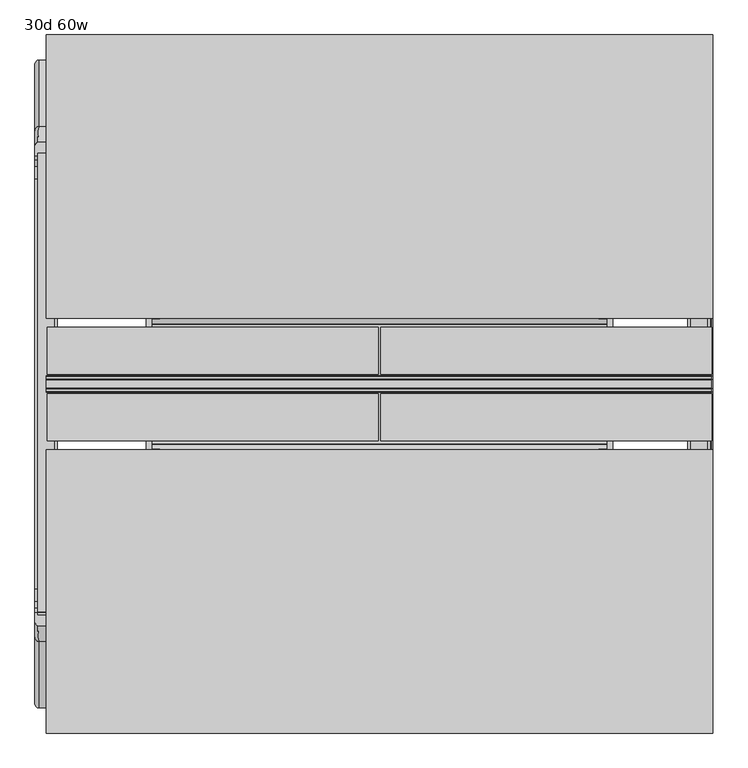
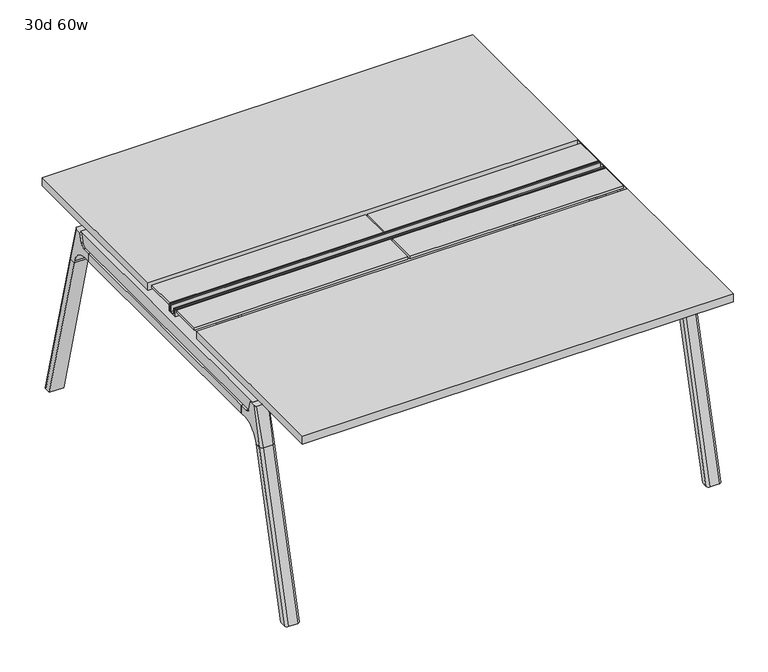
"""IFC4 building model written with IfcOpenShell, lengths in millimetres: furniture geometry, 30d 60w."""

from ifc_helpers import new_model, si_unit, point, frame, frame_2d, origin, place, context, project, spatial, polyline, circle_curve, ellipse_curve, trimmed, segment, composite_curve, outline, extrude, source, transform, mapped, element, save
from ifc_brep_helpers import plane_surface, cylinder_surface, revolved_surface, advanced_brep


def furniture_30d_60w_eef91e71(model_context):
    return source(origin(), model_context, "Body", "SolidModel", [
        extrude(outline(polyline([(-348.9784469, 559.4636683), (-364.040663, 627.7843353), (-35.4662901, 627.7843353), (-50.5285062, 559.4636683), (-46.7502281, 557.2647146), (-46.7502281, 549.3667827), (-62.6252238, 521.8704736), (-336.8817293, 521.8704736), (-352.756725, 549.3667827), (-352.756725, 557.2647146), (-348.9784469, 559.4636683)])), frame((736.6, 0.0, 0.0), z_axis=(1.0, 0.0, 0.0), x_axis=(0.0, 1.0, 0.0)), (0.0, 0.0, 1.0), 12.7),
        extrude(outline(polyline([(-348.9784469, 559.4636683), (-364.040663, 627.7843353), (-35.4662901, 627.7843353), (-50.5285062, 559.4636683), (-46.7502281, 557.2647146), (-46.7502281, 549.3667827), (-62.6252238, 521.8704736), (-336.8817293, 521.8704736), (-352.756725, 549.3667827), (-352.756725, 557.2647146), (-348.9784469, 559.4636683)])), frame((-317.5, 0.0, 0.0), z_axis=(1.0, 0.0, 0.0), x_axis=(0.0, 1.0, 0.0)), (0.0, 0.0, 1.0), 12.7),
        extrude(outline(polyline([(-18.0090763, 698.5), (3.7767266, 698.5), (3.7767266, 697.2935087), (-17.4495292, 697.2935087), (-19.0070753, 695.7359626), (-49.1186716, 559.1528512), (-50.5285062, 559.4636683), (-20.404074, 696.1050023), (-18.0090763, 698.5)])), frame((-317.5, 0.0, 0.0), z_axis=(1.0, 0.0, 0.0), x_axis=(0.0, 1.0, 0.0)), (0.0, 0.0, 1.0), 31.8008024),
        extrude(outline(polyline([(-381.4978768, 698.5), (-379.1028791, 696.1050023), (-348.9784469, 559.4636683), (-350.3882815, 559.1528512), (-380.4998778, 695.7359626), (-382.0574239, 697.2935087), (-403.2836797, 697.2935087), (-403.2836797, 698.5), (-381.4978768, 698.5)])), frame((-317.5, 0.0, 0.0), z_axis=(1.0, 0.0, 0.0), x_axis=(0.0, 1.0, 0.0)), (0.0, 0.0, 1.0), 31.8008024),
        extrude(outline(polyline([(-18.0090763, 698.5), (3.7767266, 698.5), (3.7767266, 697.2935087), (-17.4495292, 697.2935087), (-19.0070753, 695.7359626), (-49.1186716, 559.1528512), (-50.5285062, 559.4636683), (-20.404074, 696.1050023), (-18.0090763, 698.5)])), frame((717.4991976, 0.0, 0.0), z_axis=(1.0, 0.0, 0.0), x_axis=(0.0, 1.0, 0.0)), (0.0, 0.0, 1.0), 31.8008024),
        extrude(outline(polyline([(-381.4978768, 698.5), (-379.1028791, 696.1050023), (-348.9784469, 559.4636683), (-350.3882815, 559.1528512), (-380.4998778, 695.7359626), (-382.0574239, 697.2935087), (-403.2836797, 697.2935087), (-403.2836797, 698.5), (-381.4978768, 698.5)])), frame((717.4991976, 0.0, 0.0), z_axis=(1.0, 0.0, 0.0), x_axis=(0.0, 1.0, 0.0)), (0.0, 0.0, 1.0), 31.8008024),
        extrude(outline(polyline([(-353.550475, 557.5934966), (-351.518477, 559.6254947), (-350.957211, 559.0642287), (-352.756725, 557.2647146), (-352.756725, 549.3667827), (-352.5317745, 548.5272622), (-337.4390802, 522.3859395), (-336.0037101, 521.5572272), (-63.503243, 521.5572272), (-62.0678729, 522.3859395), (-46.9751786, 548.5272622), (-46.7502281, 549.3667827), (-46.7502281, 557.2647146), (-48.5497421, 559.0642287), (-47.9884761, 559.6254947), (-45.9564781, 557.5934966), (-45.9564781, 549.2622828), (-46.2355217, 548.2208856), (-61.4868074, 521.8048744), (-63.2905581, 520.7634772), (-336.216395, 520.7634772), (-338.0201457, 521.8048744), (-353.2714314, 548.2208856), (-353.550475, 549.2622828), (-353.550475, 557.5934966)])), frame((-317.4492037, 0.0, 0.0), z_axis=(1.0, 0.0, 0.0), x_axis=(0.0, 1.0, 0.0)), (0.0, 0.0, 1.0), 1066.7492037),
        extrude(outline(polyline([(-218.8034766, 715.9625), (-218.8034766, 741.3625), (-217.2159766, 741.3625), (-217.2159766, 720.725), (-210.8659766, 720.725), (-210.8659766, 741.3625), (-209.2784766, 741.3625), (-209.2784766, 717.55), (-190.2284766, 717.55), (-190.2284766, 741.3625), (-188.6409766, 741.3625), (-188.6409766, 720.725), (-182.2909766, 720.725), (-182.2909766, 741.3625), (-180.7034766, 741.3625), (-180.7034766, 715.9625), (-218.8034766, 715.9625)])), frame((-546.1, 0.0, 0.0), z_axis=(1.0, 0.0, 0.0), x_axis=(0.0, 1.0, 0.0)), (0.0, 0.0, 1.0), 1520.825),
        extrude(outline(composite_curve([segment(polyline([(328.0902734, 711.2), (319.0321726, 677.3947076)]), True, "CONTINUOUS"), segment(trimmed(circle_curve(frame_2d((303.6981001, 681.5034599)), 15.875), [point((319.0321726, 677.3947076))], [point((303.6981001, 665.6284599))], False, "CARTESIAN"), True, "CONTINUOUS"), segment(polyline([(303.6981001, 665.6284599), (-703.2050533, 665.6284599)]), True, "CONTINUOUS"), segment(trimmed(circle_curve(frame_2d((-703.2050533, 681.5034599)), 15.875), [point((-703.2050533, 665.6284599))], [point((-718.5391258, 677.3947076))], False, "CARTESIAN"), True, "CONTINUOUS"), segment(polyline([(-718.5391258, 677.3947076), (-727.5972266, 711.2), (328.0902734, 711.2)]), True, "CONTINUOUS")], self_intersect=False)), frame((927.1, 0.0, 0.0), z_axis=(1.0, 0.0, 0.0), x_axis=(0.0, 1.0, 0.0)), (0.0, 0.0, 1.0), 38.1),
        extrude(outline(polyline([(971.55, 267.7652734), (971.55, -667.2722266), (920.75, -667.2722266), (920.75, 267.7652734), (971.55, 267.7652734)])), frame((0.0, 0.0, 635.6476591), z_axis=(0.0, 0.0, 1.0), x_axis=(1.0, 0.0, 0.0)), (0.0, 0.0, 1.0), 29.9808008),
        extrude(outline(composite_curve([segment(polyline([(328.0902734, 711.2), (319.0321726, 677.3947076)]), True, "CONTINUOUS"), segment(trimmed(circle_curve(frame_2d((303.6981001, 681.5034599)), 15.875), [point((319.0321726, 677.3947076))], [point((303.6981001, 665.6284599))], False, "CARTESIAN"), True, "CONTINUOUS"), segment(polyline([(303.6981001, 665.6284599), (-703.2050533, 665.6284599)]), True, "CONTINUOUS"), segment(trimmed(circle_curve(frame_2d((-703.2050533, 681.5034599)), 15.875), [point((-703.2050533, 665.6284599))], [point((-718.5391258, 677.3947076))], False, "CARTESIAN"), True, "CONTINUOUS"), segment(polyline([(-718.5391258, 677.3947076), (-727.5972266, 711.2), (328.0902734, 711.2)]), True, "CONTINUOUS")], self_intersect=False)), frame((-565.15, 0.0, 0.0), z_axis=(1.0, 0.0, 0.0), x_axis=(0.0, 1.0, 0.0)), (0.0, 0.0, 1.0), 38.1),
        extrude(outline(polyline([(-520.7, 267.7652734), (-520.7, -667.2722266), (-571.5, -667.2722266), (-571.5, 267.7652734), (-520.7, 267.7652734)])), frame((0.0, 0.0, 635.6476591), z_axis=(0.0, 0.0, 1.0), x_axis=(1.0, 0.0, 0.0)), (0.0, 0.0, 1.0), 29.9808008),
        advanced_brep(
        [(920.75, -721.2935553, 711.2), (920.75, -712.2354545, 677.3947076), (920.75, -696.901382, 665.6284599), (920.75, -667.2722266, 665.6284599), (920.75, -667.2722266, 635.6476591), (920.75, -690.1434588, 635.6476591), (920.75, -754.5465633, 586.2294189), (920.75, -757.1047754, 576.6820411), (920.75, -778.2087453, 576.6820411), (920.75, -742.7601017, 711.2), (971.55, -757.1047754, 576.6820411), (971.55, -754.5465633, 586.2294189), (971.55, -690.1434588, 635.6476591), (971.55, -667.2722266, 635.6476591), (971.55, -667.2722266, 665.6284599), (971.55, -696.901382, 665.6284599), (971.55, -712.2354545, 677.3947076), (971.55, -721.2935553, 711.2), (971.55, -742.7601017, 711.2), (971.55, -778.2087453, 576.6820411), (927.0138162, -752.0149462, 711.2), (965.2861838, -752.0149462, 711.2), (962.025, -788.0589247, 576.6820411), (930.275, -788.0589247, 576.6820411)],
        [
            (0, 1),
            (1, 2, circle_curve(frame((920.75, -696.901382, 681.5034599), z_axis=(1.0, 0.0, 0.0), x_axis=(0.0, -1.0, 0.0)), 15.875)),
            (2, 3),
            (3, 4),
            (4, 5),
            (5, 6, circle_curve(frame((920.75, -690.1434588, 568.9726591), z_axis=(1.0, 0.0, 0.0), x_axis=(0.0, -1.0, 0.0)), 66.675)),
            (6, 7),
            (7, 8),
            (8, 9),
            (9, 0),
            (10, 11),
            (11, 12, circle_curve(frame((971.55, -690.1434588, 568.9726591), z_axis=(-1.0, 0.0, 0.0), x_axis=(0.0, -1.0, 0.0)), 66.675)),
            (12, 13),
            (13, 14),
            (14, 15),
            (15, 16, circle_curve(frame((971.55, -696.901382, 681.5034599), z_axis=(-1.0, 0.0, 0.0), x_axis=(0.0, -1.0, 0.0)), 15.875)),
            (16, 17),
            (17, 18),
            (18, 19),
            (19, 10),
            (17, 0),
            (9, 20, ellipse_curve(frame((930.275, -742.7601017, 711.2), z_axis=(0.0, 0.0, 1.0), x_axis=(0.0, -1.0, 0.0)), 9.8501793, 9.525)),
            (20, 21),
            (21, 18, ellipse_curve(frame((962.025, -742.7601017, 711.2), z_axis=(0.0, 0.0, 1.0), x_axis=(0.0, -1.0, 0.0)), 9.8501793, 9.525)),
            (16, 1),
            (15, 2),
            (14, 3),
            (13, 4),
            (12, 5),
            (11, 6),
            (10, 7),
            (19, 22, ellipse_curve(frame((962.025, -778.2087453, 576.6820411), z_axis=(0.0, 0.0, -1.0), x_axis=(0.0, -1.0, 0.0)), 9.8501793, 9.525)),
            (22, 23),
            (23, 8, ellipse_curve(frame((930.275, -778.2087453, 576.6820411), z_axis=(0.0, 0.0, -1.0), x_axis=(0.0, -1.0, 0.0)), 9.8501793, 9.525)),
            (20, 23, ellipse_curve(frame((930.275, -191.6892106, 2802.3641142), z_axis=(0.0, -0.9659258262890684, 0.2588190451025206), x_axis=(0.0, -0.2588190451025206, -0.9659258262890684)), 2304.1956354, 9.525)),
            (22, 21, ellipse_curve(frame((962.025, -191.6892106, 2802.3641142), z_axis=(0.0, -0.9659258262890684, 0.2588190451025206), x_axis=(0.0, -0.2588190451025206, -0.9659258262890684)), 2304.1956354, 9.525)),
        ],
        [
            plane_surface(frame((920.75, -752.0149462, 711.2), z_axis=(-1.0, 0.0, 0.0), x_axis=(0.0, 1.0, 0.0))),
            plane_surface(frame((971.55, -752.0149462, 711.2), z_axis=(1.0, 0.0, 0.0), x_axis=(0.0, -1.0, 0.0))),
            plane_surface(frame((920.75, -752.0149462, 711.2), z_axis=(0.0, 0.0, 1.0), x_axis=(1.0, 0.0, 0.0))),
            plane_surface(frame((920.75, -721.2935553, 711.2), z_axis=(0.0, 0.9659258262890683, 0.2588190451025207), x_axis=(1.0, 0.0, 0.0))),
            revolved_surface(polyline([(971.55, -712.776382, 681.5034599), (920.75, -712.776382, 681.5034599)]), (971.55, -696.901382, 681.5034599), (1.0, 0.0, 0.0)),
            plane_surface(frame((920.75, -696.901382, 665.6284599), z_axis=(0.0, 0.0, 1.0), x_axis=(1.0, 0.0, 0.0))),
            plane_surface(frame((920.75, -667.2722266, 665.6284599), z_axis=(0.0, 1.0, 0.0), x_axis=(1.0, 0.0, 0.0))),
            plane_surface(frame((920.75, -667.2722266, 635.6476591), z_axis=(0.0, 0.0, -1.0), x_axis=(1.0, 0.0, 0.0))),
            revolved_surface(polyline([(971.55, -756.8184587999999, 568.9726591), (920.75, -756.8184587999999, 568.9726591)]), (971.55, -690.1434588, 568.9726591), (1.0, 0.0, 0.0)),
            plane_surface(frame((920.75, -754.5465633, 586.2294189), z_axis=(0.0, 0.9659258262890693, -0.25881904510251696), x_axis=(1.0, 0.0, 0.0))),
            plane_surface(frame((920.75, -757.1047754, 576.6820411), z_axis=(0.0, 0.0, -1.0), x_axis=(1.0, 0.0, 0.0))),
            plane_surface(frame((920.75, -788.0589247, 576.6820411), z_axis=(0.0, -0.9659258262890684, 0.2588190451025206), x_axis=(1.0, 0.0, 0.0))),
            cylinder_surface(frame((930.275, -930.8176402, -2.4271979), z_axis=(0.0, -0.25482392474081483, -0.966987470125486), x_axis=(1.0, 0.0, 0.0)), 9.525),
            cylinder_surface(frame((962.025, -930.8176402, -2.4271979), z_axis=(0.0, -0.25482392474081483, -0.966987470125486), x_axis=(1.0, 0.0, 0.0)), 9.525),
        ],
        [
            (0, [[1, 2, 3, 4, 5, 6, 7, 8, 9, 10]]),
            (1, [[11, 12, 13, 14, 15, 16, 17, 18, 19, 20]]),
            (2, [[21, -10, 22, 23, 24, -18]]),
            (3, [[-1, -21, -17, 25]]),
            (4, [[-2, -25, -16, 26]]),
            (5, [[-3, -26, -15, 27]]),
            (6, [[-4, -27, -14, 28]]),
            (7, [[-5, -28, -13, 29]]),
            (8, [[-6, -29, -12, 30]]),
            (9, [[-7, -30, -11, 31]]),
            (10, [[-31, -20, 32, 33, 34, -8]]),
            (11, [[-23, 35, -33, 36]]),
            (12, [[-9, -34, -35, -22]]),
            (13, [[-19, -24, -36, -32]]),
        ],
    ),
        advanced_brep(
        [(920.75, -757.1047754, 576.6820411), (920.75, -909.0740466, 0.0), (920.75, -930.1780165, 0.0), (920.75, -778.2087453, 576.6820411), (971.55, -909.0740466, 0.0), (971.55, -757.1047754, 576.6820411), (971.55, -778.2087453, 576.6820411), (971.55, -930.1780165, 0.0), (930.275, -788.0589247, 576.6820411), (962.025, -788.0589247, 576.6820411), (962.025, -940.0281958, 0.0), (930.275, -940.0281958, 0.0)],
        [
            (0, 1),
            (1, 2),
            (2, 3),
            (3, 0),
            (4, 5),
            (5, 6),
            (6, 7),
            (7, 4),
            (5, 0),
            (3, 8, ellipse_curve(frame((930.275, -778.2087453, 576.6820411), z_axis=(0.0, 0.0, 1.0), x_axis=(0.0, -1.0, 0.0)), 9.8501793, 9.525)),
            (8, 9),
            (9, 6, ellipse_curve(frame((962.025, -778.2087453, 576.6820411), z_axis=(0.0, 0.0, 1.0), x_axis=(0.0, -1.0, 0.0)), 9.8501793, 9.525)),
            (4, 1),
            (7, 10, ellipse_curve(frame((962.025, -930.1780165, 0.0), z_axis=(0.0, 0.0, -1.0), x_axis=(0.0, -1.0, 0.0)), 9.8501793, 9.525)),
            (10, 11),
            (11, 2, ellipse_curve(frame((930.275, -930.1780165, 0.0), z_axis=(0.0, 0.0, -1.0), x_axis=(0.0, -1.0, 0.0)), 9.8501793, 9.525)),
            (8, 11),
            (10, 9),
        ],
        [
            plane_surface(frame((920.75, -788.0589247, 576.6820411), z_axis=(-1.0, 0.0, 0.0), x_axis=(0.0, 1.0, 0.0))),
            plane_surface(frame((971.55, -788.0589247, 576.6820411), z_axis=(1.0, 0.0, 0.0), x_axis=(0.0, -1.0, 0.0))),
            plane_surface(frame((920.75, -788.0589247, 576.6820411), z_axis=(0.0, 0.0, 1.0), x_axis=(1.0, 0.0, 0.0))),
            plane_surface(frame((920.75, -757.1047754, 576.6820411), z_axis=(0.0, 0.9669874701254844, -0.2548239247408208), x_axis=(1.0, 0.0, 0.0))),
            plane_surface(frame((920.75, -909.0740466, 0.0), z_axis=(0.0, 0.0, -1.0), x_axis=(1.0, 0.0, 0.0))),
            plane_surface(frame((920.75, -940.0281958, 0.0), z_axis=(0.0, -0.9669874701254855, 0.2548239247408166), x_axis=(1.0, 0.0, 0.0))),
            cylinder_surface(frame((930.275, -930.8176402, -2.4271979), z_axis=(0.0, -0.25482392474081483, -0.966987470125486), x_axis=(1.0, 0.0, 0.0)), 9.525),
            cylinder_surface(frame((962.025, -930.8176402, -2.4271979), z_axis=(0.0, -0.25482392474081483, -0.966987470125486), x_axis=(1.0, 0.0, 0.0)), 9.525),
        ],
        [
            (0, [[1, 2, 3, 4]]),
            (1, [[5, 6, 7, 8]]),
            (2, [[9, -4, 10, 11, 12, -6]]),
            (3, [[-1, -9, -5, 13]]),
            (4, [[-13, -8, 14, 15, 16, -2]]),
            (5, [[-11, 17, -15, 18]]),
            (6, [[-3, -16, -17, -10]]),
            (7, [[-7, -12, -18, -14]]),
        ],
    ),
        advanced_brep(
        [(971.55, 321.7866022, 711.2), (971.55, 312.7285014, 677.3947076), (971.55, 297.3944289, 665.6284599), (971.55, 267.7652734, 665.6284599), (971.55, 267.7652734, 635.6476591), (971.55, 290.6365057, 635.6476591), (971.55, 355.0396101, 586.2294189), (971.55, 357.5978223, 576.6820411), (971.55, 378.7017922, 576.6820411), (971.55, 343.2531486, 711.2), (920.75, 357.5978223, 576.6820411), (920.75, 355.0396101, 586.2294189), (920.75, 290.6365057, 635.6476591), (920.75, 267.7652734, 635.6476591), (920.75, 267.7652734, 665.6284599), (920.75, 297.3944289, 665.6284599), (920.75, 312.7285014, 677.3947076), (920.75, 321.7866022, 711.2), (920.75, 343.2531486, 711.2), (920.75, 378.7017922, 576.6820411), (965.2861838, 352.5079931, 711.2), (927.0138162, 352.5079931, 711.2), (930.275, 388.5519716, 576.6820411), (962.025, 388.5519716, 576.6820411)],
        [
            (0, 1),
            (1, 2, circle_curve(frame((971.55, 297.3944289, 681.5034599), z_axis=(-1.0, 0.0, 0.0), x_axis=(0.0, 1.0, 0.0)), 15.875)),
            (2, 3),
            (3, 4),
            (4, 5),
            (5, 6, circle_curve(frame((971.55, 290.6365057, 568.9726591), z_axis=(-1.0, 0.0, 0.0), x_axis=(0.0, 1.0, 0.0)), 66.675)),
            (6, 7),
            (7, 8),
            (8, 9),
            (9, 0),
            (10, 11),
            (11, 12, circle_curve(frame((920.75, 290.6365057, 568.9726591), z_axis=(1.0, 0.0, 0.0), x_axis=(0.0, 1.0, 0.0)), 66.675)),
            (12, 13),
            (13, 14),
            (14, 15),
            (15, 16, circle_curve(frame((920.75, 297.3944289, 681.5034599), z_axis=(1.0, 0.0, 0.0), x_axis=(0.0, 1.0, 0.0)), 15.875)),
            (16, 17),
            (17, 18),
            (18, 19),
            (19, 10),
            (17, 0),
            (9, 20, ellipse_curve(frame((962.025, 343.2531486, 711.2), z_axis=(0.0, 0.0, 1.0), x_axis=(0.0, 1.0, 0.0)), 9.8501793, 9.525)),
            (20, 21),
            (21, 18, ellipse_curve(frame((930.275, 343.2531486, 711.2), z_axis=(0.0, 0.0, 1.0), x_axis=(0.0, 1.0, 0.0)), 9.8501793, 9.525)),
            (16, 1),
            (15, 2),
            (14, 3),
            (13, 4),
            (12, 5),
            (11, 6),
            (10, 7),
            (19, 22, ellipse_curve(frame((930.275, 378.7017922, 576.6820411), z_axis=(0.0, 0.0, -1.0), x_axis=(0.0, 1.0, 0.0)), 9.8501793, 9.525)),
            (22, 23),
            (23, 8, ellipse_curve(frame((962.025, 378.7017922, 576.6820411), z_axis=(0.0, 0.0, -1.0), x_axis=(0.0, 1.0, 0.0)), 9.8501793, 9.525)),
            (20, 23, ellipse_curve(frame((962.025, -207.8177425, 2802.3641142), z_axis=(0.0, 0.9659258262890684, 0.2588190451025206), x_axis=(0.0, 0.2588190451025206, -0.9659258262890684)), 2304.1956354, 9.525)),
            (22, 21, ellipse_curve(frame((930.275, -207.8177425, 2802.3641142), z_axis=(0.0, 0.9659258262890684, 0.2588190451025206), x_axis=(0.0, 0.2588190451025206, -0.9659258262890684)), 2304.1956354, 9.525)),
        ],
        [
            plane_surface(frame((971.55, 352.5079931, 711.2), z_axis=(1.0, 0.0, 0.0), x_axis=(0.0, -1.0, 0.0))),
            plane_surface(frame((920.75, 352.5079931, 711.2), z_axis=(-1.0, 0.0, 0.0), x_axis=(0.0, 1.0, 0.0))),
            plane_surface(frame((971.55, 352.5079931, 711.2), z_axis=(0.0, 0.0, 1.0), x_axis=(-1.0, 0.0, 0.0))),
            plane_surface(frame((971.55, 321.7866022, 711.2), z_axis=(0.0, -0.9659258262890683, 0.2588190451025207), x_axis=(-1.0, 0.0, 0.0))),
            revolved_surface(polyline([(920.75, 313.2694289, 681.5034599), (971.55, 313.2694289, 681.5034599)]), (920.75, 297.3944289, 681.5034599), (-1.0, 0.0, 0.0)),
            plane_surface(frame((971.55, 297.3944289, 665.6284599), z_axis=(0.0, 0.0, 1.0), x_axis=(-1.0, 0.0, 0.0))),
            plane_surface(frame((971.55, 267.7652734, 665.6284599), z_axis=(0.0, -1.0, 0.0), x_axis=(-1.0, 0.0, 0.0))),
            plane_surface(frame((971.55, 267.7652734, 635.6476591), z_axis=(0.0, 0.0, -1.0), x_axis=(-1.0, 0.0, 0.0))),
            revolved_surface(polyline([(920.75, 357.3115057, 568.9726591), (971.55, 357.3115057, 568.9726591)]), (920.75, 290.6365057, 568.9726591), (-1.0, 0.0, 0.0)),
            plane_surface(frame((971.55, 355.0396101, 586.2294189), z_axis=(0.0, -0.9659258262890693, -0.25881904510251696), x_axis=(-1.0, 0.0, 0.0))),
            plane_surface(frame((971.55, 357.5978223, 576.6820411), z_axis=(0.0, 0.0, -1.0), x_axis=(-1.0, 0.0, 0.0))),
            plane_surface(frame((971.55, 388.5519716, 576.6820411), z_axis=(0.0, 0.9659258262890684, 0.2588190451025206), x_axis=(-1.0, 0.0, 0.0))),
            cylinder_surface(frame((962.025, 531.3106871, -2.4271979), z_axis=(0.0, 0.25482392474081483, -0.966987470125486), x_axis=(-1.0, 0.0, 0.0)), 9.525),
            cylinder_surface(frame((930.275, 531.3106871, -2.4271979), z_axis=(0.0, 0.25482392474081483, -0.966987470125486), x_axis=(-1.0, 0.0, 0.0)), 9.525),
        ],
        [
            (0, [[1, 2, 3, 4, 5, 6, 7, 8, 9, 10]]),
            (1, [[11, 12, 13, 14, 15, 16, 17, 18, 19, 20]]),
            (2, [[21, -10, 22, 23, 24, -18]]),
            (3, [[-1, -21, -17, 25]]),
            (4, [[-2, -25, -16, 26]]),
            (5, [[-3, -26, -15, 27]]),
            (6, [[-4, -27, -14, 28]]),
            (7, [[-5, -28, -13, 29]]),
            (8, [[-6, -29, -12, 30]]),
            (9, [[-7, -30, -11, 31]]),
            (10, [[-31, -20, 32, 33, 34, -8]]),
            (11, [[-23, 35, -33, 36]]),
            (12, [[-9, -34, -35, -22]]),
            (13, [[-19, -24, -36, -32]]),
        ],
    ),
        advanced_brep(
        [(971.55, 357.5978223, 576.6820411), (971.55, 509.5670935, 0.0), (971.55, 530.6710634, 0.0), (971.55, 378.7017922, 576.6820411), (920.75, 509.5670935, 0.0), (920.75, 357.5978223, 576.6820411), (920.75, 378.7017922, 576.6820411), (920.75, 530.6710634, 0.0), (962.025, 388.5519716, 576.6820411), (930.275, 388.5519716, 576.6820411), (930.275, 540.5212427, 0.0), (962.025, 540.5212427, 0.0)],
        [
            (0, 1),
            (1, 2),
            (2, 3),
            (3, 0),
            (4, 5),
            (5, 6),
            (6, 7),
            (7, 4),
            (5, 0),
            (3, 8, ellipse_curve(frame((962.025, 378.7017922, 576.6820411), z_axis=(0.0, 0.0, 1.0), x_axis=(0.0, 1.0, 0.0)), 9.8501793, 9.525)),
            (8, 9),
            (9, 6, ellipse_curve(frame((930.275, 378.7017922, 576.6820411), z_axis=(0.0, 0.0, 1.0), x_axis=(0.0, 1.0, 0.0)), 9.8501793, 9.525)),
            (4, 1),
            (7, 10, ellipse_curve(frame((930.275, 530.6710634, 0.0), z_axis=(0.0, 0.0, -1.0), x_axis=(0.0, 1.0, 0.0)), 9.8501793, 9.525)),
            (10, 11),
            (11, 2, ellipse_curve(frame((962.025, 530.6710634, 0.0), z_axis=(0.0, 0.0, -1.0), x_axis=(0.0, 1.0, 0.0)), 9.8501793, 9.525)),
            (8, 11),
            (10, 9),
        ],
        [
            plane_surface(frame((971.55, 388.5519716, 576.6820411), z_axis=(1.0, 0.0, 0.0), x_axis=(0.0, -1.0, 0.0))),
            plane_surface(frame((920.75, 388.5519716, 576.6820411), z_axis=(-1.0, 0.0, 0.0), x_axis=(0.0, 1.0, 0.0))),
            plane_surface(frame((971.55, 388.5519716, 576.6820411), z_axis=(0.0, 0.0, 1.0), x_axis=(-1.0, 0.0, 0.0))),
            plane_surface(frame((971.55, 357.5978223, 576.6820411), z_axis=(0.0, -0.9669874701254844, -0.2548239247408208), x_axis=(-1.0, 0.0, 0.0))),
            plane_surface(frame((971.55, 509.5670935, 0.0), z_axis=(0.0, 0.0, -1.0), x_axis=(-1.0, 0.0, 0.0))),
            plane_surface(frame((971.55, 540.5212427, 0.0), z_axis=(0.0, 0.9669874701254855, 0.2548239247408166), x_axis=(-1.0, 0.0, 0.0))),
            cylinder_surface(frame((962.025, 531.3106871, -2.4271979), z_axis=(0.0, 0.25482392474081483, -0.966987470125486), x_axis=(-1.0, 0.0, 0.0)), 9.525),
            cylinder_surface(frame((930.275, 531.3106871, -2.4271979), z_axis=(0.0, 0.25482392474081483, -0.966987470125486), x_axis=(-1.0, 0.0, 0.0)), 9.525),
        ],
        [
            (0, [[1, 2, 3, 4]]),
            (1, [[5, 6, 7, 8]]),
            (2, [[9, -4, 10, 11, 12, -6]]),
            (3, [[-1, -9, -5, 13]]),
            (4, [[-13, -8, 14, 15, 16, -2]]),
            (5, [[-11, 17, -15, 18]]),
            (6, [[-3, -16, -17, -10]]),
            (7, [[-7, -12, -18, -14]]),
        ],
    ),
        advanced_brep(
        [(-520.7, 321.7866022, 711.2), (-520.7, 312.7285014, 677.3947076), (-520.7, 297.3944289, 665.6284599), (-520.7, 267.7652734, 665.6284599), (-520.7, 267.7652734, 635.6476591), (-520.7, 290.6365057, 635.6476591), (-520.7, 355.0396101, 586.2294189), (-520.7, 357.5978223, 576.6820411), (-520.7, 378.7017922, 576.6820411), (-520.7, 343.2531486, 711.2), (-571.5, 357.5978223, 576.6820411), (-571.5, 355.0396101, 586.2294189), (-571.5, 290.6365057, 635.6476591), (-571.5, 267.7652734, 635.6476591), (-571.5, 267.7652734, 665.6284599), (-571.5, 297.3944289, 665.6284599), (-571.5, 312.7285014, 677.3947076), (-571.5, 321.7866022, 711.2), (-571.5, 343.2531486, 711.2), (-571.5, 378.7017922, 576.6820411), (-526.9638162, 352.5079931, 711.2), (-565.2361838, 352.5079931, 711.2), (-561.975, 388.5519716, 576.6820411), (-530.225, 388.5519716, 576.6820411)],
        [
            (0, 1),
            (1, 2, circle_curve(frame((-520.7, 297.3944289, 681.5034599), z_axis=(-1.0, 0.0, 0.0), x_axis=(0.0, 1.0, 0.0)), 15.875)),
            (2, 3),
            (3, 4),
            (4, 5),
            (5, 6, circle_curve(frame((-520.7, 290.6365057, 568.9726591), z_axis=(-1.0, 0.0, 0.0), x_axis=(0.0, 1.0, 0.0)), 66.675)),
            (6, 7),
            (7, 8),
            (8, 9),
            (9, 0),
            (10, 11),
            (11, 12, circle_curve(frame((-571.5, 290.6365057, 568.9726591), z_axis=(1.0, 0.0, 0.0), x_axis=(0.0, 1.0, 0.0)), 66.675)),
            (12, 13),
            (13, 14),
            (14, 15),
            (15, 16, circle_curve(frame((-571.5, 297.3944289, 681.5034599), z_axis=(1.0, 0.0, 0.0), x_axis=(0.0, 1.0, 0.0)), 15.875)),
            (16, 17),
            (17, 18),
            (18, 19),
            (19, 10),
            (17, 0),
            (9, 20, ellipse_curve(frame((-530.225, 343.2531486, 711.2), z_axis=(0.0, 0.0, 1.0), x_axis=(0.0, 1.0, 0.0)), 9.8501793, 9.525)),
            (20, 21),
            (21, 18, ellipse_curve(frame((-561.975, 343.2531486, 711.2), z_axis=(0.0, 0.0, 1.0), x_axis=(0.0, 1.0, 0.0)), 9.8501793, 9.525)),
            (16, 1),
            (15, 2),
            (14, 3),
            (13, 4),
            (12, 5),
            (11, 6),
            (10, 7),
            (19, 22, ellipse_curve(frame((-561.975, 378.7017922, 576.6820411), z_axis=(0.0, 0.0, -1.0), x_axis=(0.0, 1.0, 0.0)), 9.8501793, 9.525)),
            (22, 23),
            (23, 8, ellipse_curve(frame((-530.225, 378.7017922, 576.6820411), z_axis=(0.0, 0.0, -1.0), x_axis=(0.0, 1.0, 0.0)), 9.8501793, 9.525)),
            (20, 23, ellipse_curve(frame((-530.225, -207.8177425, 2802.3641142), z_axis=(0.0, 0.9659258262890684, 0.2588190451025206), x_axis=(0.0, 0.2588190451025206, -0.9659258262890684)), 2304.1956354, 9.525)),
            (22, 21, ellipse_curve(frame((-561.975, -207.8177425, 2802.3641142), z_axis=(0.0, 0.9659258262890684, 0.2588190451025206), x_axis=(0.0, 0.2588190451025206, -0.9659258262890684)), 2304.1956354, 9.525)),
        ],
        [
            plane_surface(frame((-520.7, 352.5079931, 711.2), z_axis=(1.0, 0.0, 0.0), x_axis=(0.0, -1.0, 0.0))),
            plane_surface(frame((-571.5, 352.5079931, 711.2), z_axis=(-1.0, 0.0, 0.0), x_axis=(0.0, 1.0, 0.0))),
            plane_surface(frame((-520.7, 352.5079931, 711.2), z_axis=(0.0, 0.0, 1.0), x_axis=(-1.0, 0.0, 0.0))),
            plane_surface(frame((-520.7, 321.7866022, 711.2), z_axis=(0.0, -0.9659258262890683, 0.2588190451025207), x_axis=(-1.0, 0.0, 0.0))),
            revolved_surface(polyline([(-571.5, 313.2694289, 681.5034599), (-520.7, 313.2694289, 681.5034599)]), (-571.5, 297.3944289, 681.5034599), (-1.0, 0.0, 0.0)),
            plane_surface(frame((-520.7, 297.3944289, 665.6284599), z_axis=(0.0, 0.0, 1.0), x_axis=(-1.0, 0.0, 0.0))),
            plane_surface(frame((-520.7, 267.7652734, 665.6284599), z_axis=(0.0, -1.0, 0.0), x_axis=(-1.0, 0.0, 0.0))),
            plane_surface(frame((-520.7, 267.7652734, 635.6476591), z_axis=(0.0, 0.0, -1.0), x_axis=(-1.0, 0.0, 0.0))),
            revolved_surface(polyline([(-571.5, 357.3115057, 568.9726591), (-520.7, 357.3115057, 568.9726591)]), (-571.5, 290.6365057, 568.9726591), (-1.0, 0.0, 0.0)),
            plane_surface(frame((-520.7, 355.0396101, 586.2294189), z_axis=(0.0, -0.9659258262890693, -0.25881904510251696), x_axis=(-1.0, 0.0, 0.0))),
            plane_surface(frame((-520.7, 357.5978223, 576.6820411), z_axis=(0.0, 0.0, -1.0), x_axis=(-1.0, 0.0, 0.0))),
            plane_surface(frame((-520.7, 388.5519716, 576.6820411), z_axis=(0.0, 0.9659258262890684, 0.2588190451025206), x_axis=(-1.0, 0.0, 0.0))),
            cylinder_surface(frame((-530.225, 531.3106871, -2.4271979), z_axis=(0.0, 0.25482392474081483, -0.966987470125486), x_axis=(-1.0, 0.0, 0.0)), 9.525),
            cylinder_surface(frame((-561.975, 531.3106871, -2.4271979), z_axis=(0.0, 0.25482392474081483, -0.966987470125486), x_axis=(-1.0, 0.0, 0.0)), 9.525),
        ],
        [
            (0, [[1, 2, 3, 4, 5, 6, 7, 8, 9, 10]]),
            (1, [[11, 12, 13, 14, 15, 16, 17, 18, 19, 20]]),
            (2, [[21, -10, 22, 23, 24, -18]]),
            (3, [[-1, -21, -17, 25]]),
            (4, [[-2, -25, -16, 26]]),
            (5, [[-3, -26, -15, 27]]),
            (6, [[-4, -27, -14, 28]]),
            (7, [[-5, -28, -13, 29]]),
            (8, [[-6, -29, -12, 30]]),
            (9, [[-7, -30, -11, 31]]),
            (10, [[-31, -20, 32, 33, 34, -8]]),
            (11, [[-23, 35, -33, 36]]),
            (12, [[-9, -34, -35, -22]]),
            (13, [[-19, -24, -36, -32]]),
        ],
    ),
        advanced_brep(
        [(-520.7, 357.5978223, 576.6820411), (-520.7, 509.5670935, 0.0), (-520.7, 530.6710634, 0.0), (-520.7, 378.7017922, 576.6820411), (-571.5, 509.5670935, 0.0), (-571.5, 357.5978223, 576.6820411), (-571.5, 378.7017922, 576.6820411), (-571.5, 530.6710634, 0.0), (-530.225, 388.5519716, 576.6820411), (-561.975, 388.5519716, 576.6820411), (-561.975, 540.5212427, 0.0), (-530.225, 540.5212427, 0.0)],
        [
            (0, 1),
            (1, 2),
            (2, 3),
            (3, 0),
            (4, 5),
            (5, 6),
            (6, 7),
            (7, 4),
            (5, 0),
            (3, 8, ellipse_curve(frame((-530.225, 378.7017922, 576.6820411), z_axis=(0.0, 0.0, 1.0), x_axis=(0.0, 1.0, 0.0)), 9.8501793, 9.525)),
            (8, 9),
            (9, 6, ellipse_curve(frame((-561.975, 378.7017922, 576.6820411), z_axis=(0.0, 0.0, 1.0), x_axis=(0.0, 1.0, 0.0)), 9.8501793, 9.525)),
            (4, 1),
            (7, 10, ellipse_curve(frame((-561.975, 530.6710634, 0.0), z_axis=(0.0, 0.0, -1.0), x_axis=(0.0, 1.0, 0.0)), 9.8501793, 9.525)),
            (10, 11),
            (11, 2, ellipse_curve(frame((-530.225, 530.6710634, 0.0), z_axis=(0.0, 0.0, -1.0), x_axis=(0.0, 1.0, 0.0)), 9.8501793, 9.525)),
            (8, 11),
            (10, 9),
        ],
        [
            plane_surface(frame((-520.7, 388.5519716, 576.6820411), z_axis=(1.0, 0.0, 0.0), x_axis=(0.0, -1.0, 0.0))),
            plane_surface(frame((-571.5, 388.5519716, 576.6820411), z_axis=(-1.0, 0.0, 0.0), x_axis=(0.0, 1.0, 0.0))),
            plane_surface(frame((-520.7, 388.5519716, 576.6820411), z_axis=(0.0, 0.0, 1.0), x_axis=(-1.0, 0.0, 0.0))),
            plane_surface(frame((-520.7, 357.5978223, 576.6820411), z_axis=(0.0, -0.9669874701254844, -0.2548239247408208), x_axis=(-1.0, 0.0, 0.0))),
            plane_surface(frame((-520.7, 509.5670935, 0.0), z_axis=(0.0, 0.0, -1.0), x_axis=(-1.0, 0.0, 0.0))),
            plane_surface(frame((-520.7, 540.5212427, 0.0), z_axis=(0.0, 0.9669874701254855, 0.2548239247408166), x_axis=(-1.0, 0.0, 0.0))),
            cylinder_surface(frame((-530.225, 531.3106871, -2.4271979), z_axis=(0.0, 0.25482392474081483, -0.966987470125486), x_axis=(-1.0, 0.0, 0.0)), 9.525),
            cylinder_surface(frame((-561.975, 531.3106871, -2.4271979), z_axis=(0.0, 0.25482392474081483, -0.966987470125486), x_axis=(-1.0, 0.0, 0.0)), 9.525),
        ],
        [
            (0, [[1, 2, 3, 4]]),
            (1, [[5, 6, 7, 8]]),
            (2, [[9, -4, 10, 11, 12, -6]]),
            (3, [[-1, -9, -5, 13]]),
            (4, [[-13, -8, 14, 15, 16, -2]]),
            (5, [[-11, 17, -15, 18]]),
            (6, [[-3, -16, -17, -10]]),
            (7, [[-7, -12, -18, -14]]),
        ],
    ),
        advanced_brep(
        [(-571.5, -721.2935553, 711.2), (-571.5, -712.2354545, 677.3947076), (-571.5, -696.901382, 665.6284599), (-571.5, -667.2722266, 665.6284599), (-571.5, -667.2722266, 635.6476591), (-571.5, -690.1434588, 635.6476591), (-571.5, -754.5465633, 586.2294189), (-571.5, -757.1047754, 576.6820411), (-571.5, -778.2087453, 576.6820411), (-571.5, -742.7601017, 711.2), (-520.7, -757.1047754, 576.6820411), (-520.7, -754.5465633, 586.2294189), (-520.7, -690.1434588, 635.6476591), (-520.7, -667.2722266, 635.6476591), (-520.7, -667.2722266, 665.6284599), (-520.7, -696.901382, 665.6284599), (-520.7, -712.2354545, 677.3947076), (-520.7, -721.2935553, 711.2), (-520.7, -742.7601017, 711.2), (-520.7, -778.2087453, 576.6820411), (-565.2361838, -752.0149462, 711.2), (-526.9638162, -752.0149462, 711.2), (-530.225, -788.0589247, 576.6820411), (-561.975, -788.0589247, 576.6820411)],
        [
            (0, 1),
            (1, 2, circle_curve(frame((-571.5, -696.901382, 681.5034599), z_axis=(1.0, 0.0, 0.0), x_axis=(0.0, -1.0, 0.0)), 15.875)),
            (2, 3),
            (3, 4),
            (4, 5),
            (5, 6, circle_curve(frame((-571.5, -690.1434588, 568.9726591), z_axis=(1.0, 0.0, 0.0), x_axis=(0.0, -1.0, 0.0)), 66.675)),
            (6, 7),
            (7, 8),
            (8, 9),
            (9, 0),
            (10, 11),
            (11, 12, circle_curve(frame((-520.7, -690.1434588, 568.9726591), z_axis=(-1.0, 0.0, 0.0), x_axis=(0.0, -1.0, 0.0)), 66.675)),
            (12, 13),
            (13, 14),
            (14, 15),
            (15, 16, circle_curve(frame((-520.7, -696.901382, 681.5034599), z_axis=(-1.0, 0.0, 0.0), x_axis=(0.0, -1.0, 0.0)), 15.875)),
            (16, 17),
            (17, 18),
            (18, 19),
            (19, 10),
            (17, 0),
            (9, 20, ellipse_curve(frame((-561.975, -742.7601017, 711.2), z_axis=(0.0, 0.0, 1.0), x_axis=(0.0, -1.0, 0.0)), 9.8501793, 9.525)),
            (20, 21),
            (21, 18, ellipse_curve(frame((-530.225, -742.7601017, 711.2), z_axis=(0.0, 0.0, 1.0), x_axis=(0.0, -1.0, 0.0)), 9.8501793, 9.525)),
            (16, 1),
            (15, 2),
            (14, 3),
            (13, 4),
            (12, 5),
            (11, 6),
            (10, 7),
            (19, 22, ellipse_curve(frame((-530.225, -778.2087453, 576.6820411), z_axis=(0.0, 0.0, -1.0), x_axis=(0.0, -1.0, 0.0)), 9.8501793, 9.525)),
            (22, 23),
            (23, 8, ellipse_curve(frame((-561.975, -778.2087453, 576.6820411), z_axis=(0.0, 0.0, -1.0), x_axis=(0.0, -1.0, 0.0)), 9.8501793, 9.525)),
            (20, 23, ellipse_curve(frame((-561.975, -191.6892106, 2802.3641142), z_axis=(0.0, -0.9659258262890684, 0.2588190451025206), x_axis=(0.0, -0.2588190451025206, -0.9659258262890684)), 2304.1956354, 9.525)),
            (22, 21, ellipse_curve(frame((-530.225, -191.6892106, 2802.3641142), z_axis=(0.0, -0.9659258262890684, 0.2588190451025206), x_axis=(0.0, -0.2588190451025206, -0.9659258262890684)), 2304.1956354, 9.525)),
        ],
        [
            plane_surface(frame((-571.5, -752.0149462, 711.2), z_axis=(-1.0, 0.0, 0.0), x_axis=(0.0, 1.0, 0.0))),
            plane_surface(frame((-520.7, -752.0149462, 711.2), z_axis=(1.0, 0.0, 0.0), x_axis=(0.0, -1.0, 0.0))),
            plane_surface(frame((-571.5, -752.0149462, 711.2), z_axis=(0.0, 0.0, 1.0), x_axis=(1.0, 0.0, 0.0))),
            plane_surface(frame((-571.5, -721.2935553, 711.2), z_axis=(0.0, 0.9659258262890683, 0.2588190451025207), x_axis=(1.0, 0.0, 0.0))),
            revolved_surface(polyline([(-520.7, -712.776382, 681.5034599), (-571.5, -712.776382, 681.5034599)]), (-520.7, -696.901382, 681.5034599), (1.0, 0.0, 0.0)),
            plane_surface(frame((-571.5, -696.901382, 665.6284599), z_axis=(0.0, 0.0, 1.0), x_axis=(1.0, 0.0, 0.0))),
            plane_surface(frame((-571.5, -667.2722266, 665.6284599), z_axis=(0.0, 1.0, 0.0), x_axis=(1.0, 0.0, 0.0))),
            plane_surface(frame((-571.5, -667.2722266, 635.6476591), z_axis=(0.0, 0.0, -1.0), x_axis=(1.0, 0.0, 0.0))),
            revolved_surface(polyline([(-520.7, -756.8184587999999, 568.9726591), (-571.5, -756.8184587999999, 568.9726591)]), (-520.7, -690.1434588, 568.9726591), (1.0, 0.0, 0.0)),
            plane_surface(frame((-571.5, -754.5465633, 586.2294189), z_axis=(0.0, 0.9659258262890693, -0.25881904510251696), x_axis=(1.0, 0.0, 0.0))),
            plane_surface(frame((-571.5, -757.1047754, 576.6820411), z_axis=(0.0, 0.0, -1.0), x_axis=(1.0, 0.0, 0.0))),
            plane_surface(frame((-571.5, -788.0589247, 576.6820411), z_axis=(0.0, -0.9659258262890684, 0.2588190451025206), x_axis=(1.0, 0.0, 0.0))),
            cylinder_surface(frame((-561.975, -930.8176402, -2.4271979), z_axis=(0.0, -0.25482392474081483, -0.966987470125486), x_axis=(1.0, 0.0, 0.0)), 9.525),
            cylinder_surface(frame((-530.225, -930.8176402, -2.4271979), z_axis=(0.0, -0.25482392474081483, -0.966987470125486), x_axis=(1.0, 0.0, 0.0)), 9.525),
        ],
        [
            (0, [[1, 2, 3, 4, 5, 6, 7, 8, 9, 10]]),
            (1, [[11, 12, 13, 14, 15, 16, 17, 18, 19, 20]]),
            (2, [[21, -10, 22, 23, 24, -18]]),
            (3, [[-1, -21, -17, 25]]),
            (4, [[-2, -25, -16, 26]]),
            (5, [[-3, -26, -15, 27]]),
            (6, [[-4, -27, -14, 28]]),
            (7, [[-5, -28, -13, 29]]),
            (8, [[-6, -29, -12, 30]]),
            (9, [[-7, -30, -11, 31]]),
            (10, [[-31, -20, 32, 33, 34, -8]]),
            (11, [[-23, 35, -33, 36]]),
            (12, [[-9, -34, -35, -22]]),
            (13, [[-19, -24, -36, -32]]),
        ],
    ),
        advanced_brep(
        [(-571.5, -757.1047754, 576.6820411), (-571.5, -909.0740466, 0.0), (-571.5, -930.1780165, 0.0), (-571.5, -778.2087453, 576.6820411), (-520.7, -909.0740466, 0.0), (-520.7, -757.1047754, 576.6820411), (-520.7, -778.2087453, 576.6820411), (-520.7, -930.1780165, 0.0), (-561.975, -788.0589247, 576.6820411), (-530.225, -788.0589247, 576.6820411), (-530.225, -940.0281958, 0.0), (-561.975, -940.0281958, 0.0)],
        [
            (0, 1),
            (1, 2),
            (2, 3),
            (3, 0),
            (4, 5),
            (5, 6),
            (6, 7),
            (7, 4),
            (5, 0),
            (3, 8, ellipse_curve(frame((-561.975, -778.2087453, 576.6820411), z_axis=(0.0, 0.0, 1.0), x_axis=(0.0, -1.0, 0.0)), 9.8501793, 9.525)),
            (8, 9),
            (9, 6, ellipse_curve(frame((-530.225, -778.2087453, 576.6820411), z_axis=(0.0, 0.0, 1.0), x_axis=(0.0, -1.0, 0.0)), 9.8501793, 9.525)),
            (4, 1),
            (7, 10, ellipse_curve(frame((-530.225, -930.1780165, 0.0), z_axis=(0.0, 0.0, -1.0), x_axis=(0.0, -1.0, 0.0)), 9.8501793, 9.525)),
            (10, 11),
            (11, 2, ellipse_curve(frame((-561.975, -930.1780165, 0.0), z_axis=(0.0, 0.0, -1.0), x_axis=(0.0, -1.0, 0.0)), 9.8501793, 9.525)),
            (8, 11),
            (10, 9),
        ],
        [
            plane_surface(frame((-571.5, -788.0589247, 576.6820411), z_axis=(-1.0, 0.0, 0.0), x_axis=(0.0, 1.0, 0.0))),
            plane_surface(frame((-520.7, -788.0589247, 576.6820411), z_axis=(1.0, 0.0, 0.0), x_axis=(0.0, -1.0, 0.0))),
            plane_surface(frame((-571.5, -788.0589247, 576.6820411), z_axis=(0.0, 0.0, 1.0), x_axis=(1.0, 0.0, 0.0))),
            plane_surface(frame((-571.5, -757.1047754, 576.6820411), z_axis=(0.0, 0.9669874701254844, -0.2548239247408208), x_axis=(1.0, 0.0, 0.0))),
            plane_surface(frame((-571.5, -909.0740466, 0.0), z_axis=(0.0, 0.0, -1.0), x_axis=(1.0, 0.0, 0.0))),
            plane_surface(frame((-571.5, -940.0281958, 0.0), z_axis=(0.0, -0.9669874701254855, 0.2548239247408166), x_axis=(1.0, 0.0, 0.0))),
            cylinder_surface(frame((-561.975, -930.8176402, -2.4271979), z_axis=(0.0, -0.25482392474081483, -0.966987470125486), x_axis=(1.0, 0.0, 0.0)), 9.525),
            cylinder_surface(frame((-530.225, -930.8176402, -2.4271979), z_axis=(0.0, -0.25482392474081483, -0.966987470125486), x_axis=(1.0, 0.0, 0.0)), 9.525),
        ],
        [
            (0, [[1, 2, 3, 4]]),
            (1, [[5, 6, 7, 8]]),
            (2, [[9, -4, 10, 11, 12, -6]]),
            (3, [[-1, -9, -5, 13]]),
            (4, [[-13, -8, 14, 15, 16, -2]]),
            (5, [[-11, 17, -15, 18]]),
            (6, [[-3, -16, -17, -10]]),
            (7, [[-7, -12, -18, -14]]),
        ],
    ),
        extrude(outline(polyline([(-546.1, -49.7347266), (-546.1, 597.9652734), (977.9, 597.9652734), (977.9, -49.7347266), (-546.1, -49.7347266)])), frame((0.0, 0.0, 711.2), z_axis=(0.0, 0.0, 1.0), x_axis=(1.0, 0.0, 0.0)), (0.0, 0.0, 1.0), 30.1625),
        extrude(outline(polyline([(977.9, -349.7722266), (977.9, -997.4722266), (-546.1, -997.4722266), (-546.1, -349.7722266), (977.9, -349.7722266)])), frame((0.0, 0.0, 711.2), z_axis=(0.0, 0.0, 1.0), x_axis=(1.0, 0.0, 0.0)), (0.0, 0.0, 1.0), 30.1625),
        extrude(outline(polyline([(212.725, -69.5784766), (212.725, -177.5284766), (-542.925, -177.5284766), (-542.925, -69.5784766), (212.725, -69.5784766)])), frame((0.0, 0.0, 731.8375), z_axis=(0.0, 0.0, 1.0), x_axis=(1.0, 0.0, 0.0)), (0.0, 0.0, 1.0), 9.525),
        extrude(outline(polyline([(212.725, -221.9784766), (212.725, -329.9284766), (-542.925, -329.9284766), (-542.925, -221.9784766), (212.725, -221.9784766)])), frame((0.0, 0.0, 731.8375), z_axis=(0.0, 0.0, 1.0), x_axis=(1.0, 0.0, 0.0)), (0.0, 0.0, 1.0), 9.525),
        extrude(outline(polyline([(974.725, -69.5784766), (974.725, -177.5284766), (219.075, -177.5284766), (219.075, -69.5784766), (974.725, -69.5784766)])), frame((0.0, 0.0, 731.8375), z_axis=(0.0, 0.0, 1.0), x_axis=(1.0, 0.0, 0.0)), (0.0, 0.0, 1.0), 9.525),
        extrude(outline(polyline([(974.725, -221.9784766), (974.725, -329.9284766), (219.075, -329.9284766), (219.075, -221.9784766), (974.725, -221.9784766)])), frame((0.0, 0.0, 731.8375), z_axis=(0.0, 0.0, 1.0), x_axis=(1.0, 0.0, 0.0)), (0.0, 0.0, 1.0), 9.525),
        extrude(outline(polyline([(920.75, 9.7965234), (920.75, -21.9534766), (-520.7, -21.9534766), (-520.7, 9.7965234), (920.75, 9.7965234)])), frame((0.0, 0.0, 646.1125), z_axis=(0.0, 0.0, 1.0), x_axis=(1.0, 0.0, 0.0)), (0.0, 0.0, 1.0), 50.8),
        extrude(outline(polyline([(920.75, -377.5534766), (920.75, -409.3034766), (-520.7, -409.3034766), (-520.7, -377.5534766), (920.75, -377.5534766)])), frame((0.0, 0.0, 646.1125), z_axis=(0.0, 0.0, 1.0), x_axis=(1.0, 0.0, 0.0)), (0.0, 0.0, 1.0), 50.8),
        extrude(outline(polyline([(977.9, -49.7347266), (977.9, -349.7722266), (974.725, -349.7722266), (974.725, -49.7347266), (977.9, -49.7347266)])), frame((0.0, 0.0, 711.2), z_axis=(0.0, 0.0, 1.0), x_axis=(1.0, 0.0, 0.0)), (0.0, 0.0, 1.0), 30.1625),
    ])


if __name__ == "__main__":
    model = new_model("IFC4")
    model_context = context("Model", 3, world=origin())
    ifc_project = project(units=[si_unit("LENGTHUNIT", "METRE", prefix="MILLI")], contexts=[model_context])
    site = spatial("IfcSite", under=ifc_project)
    building = spatial("IfcBuilding", under=site)
    placement = place(None, origin())
    furniture_30d_60w_shape = furniture_30d_60w_eef91e71(model_context)
    element("IfcFurniture", 1, ObjectType="30d 60w", at=placement, inside=building, context=model_context, shape_type="MappedRepresentation", body=[
        mapped(furniture_30d_60w_shape, transform((0.0, 0.0, 0.0), x_axis=(1.0, 0.0, 0.0), y_axis=(0.0, 1.0, 0.0), z_axis=(0.0, 0.0, 1.0))),
    ])
    save(model, "model.ifc")
